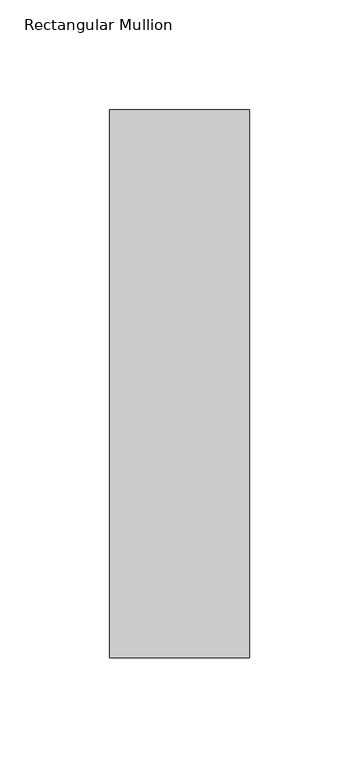
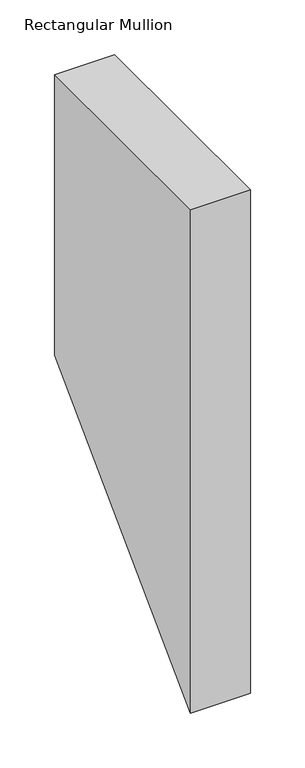
"""IFC4 building model written with IfcOpenShell, lengths in millimetres: member geometry, Rectangular Mullion."""

from ifc_helpers import new_model, si_unit, frame, origin, place, context, project, spatial, polyline, outline, extrude, source, transform, mapped, element, save


def rectangular_mullion_aa40a737(model_context):
    return source(origin(), model_context, "Body", "SweptSolid", [
        extrude(outline(polyline([(46.7447302, 0.0), (295.9695312, 0.0), (295.9695312, -313.6304688), (46.7447302, -562.8552698), (46.7447302, 0.0)])), frame((-63.5, 0.0, 0.0), z_axis=(1.0, 0.0, 0.0), x_axis=(0.0, 1.0, 0.0)), (0.0, 0.0, 1.0), 63.5),
    ])


if __name__ == "__main__":
    model = new_model("IFC4")
    model_context = context("Model", 3, world=origin())
    ifc_project = project(units=[si_unit("LENGTHUNIT", "METRE", prefix="MILLI")], contexts=[model_context])
    site = spatial("IfcSite", under=ifc_project)
    building = spatial("IfcBuilding", under=site)
    placement = place(None, origin())
    rectangular_mullion_shape = rectangular_mullion_aa40a737(model_context)
    element("IfcMember", 1, ObjectType="Rectangular Mullion", at=placement, inside=building, context=model_context, shape_type="MappedRepresentation", body=[
        mapped(rectangular_mullion_shape, transform((0.0, 0.0, 0.0), x_axis=(1.0, 0.0, 0.0), y_axis=(0.0, 1.0, 0.0), z_axis=(0.0, 0.0, 1.0))),
    ])
    save(model, "model.ifc")
